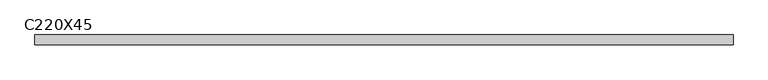
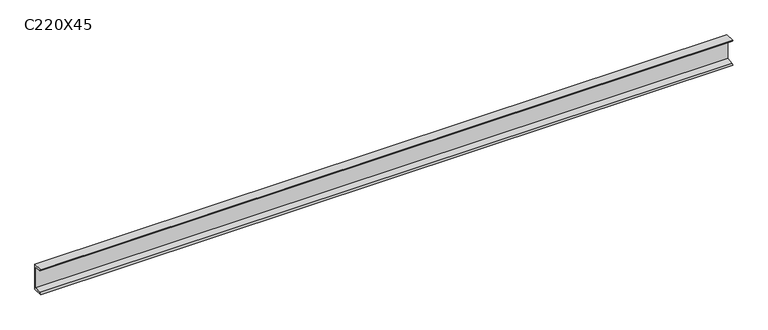
"""IFC4 building model written with IfcOpenShell, lengths in millimetres: beam geometry, C220X45."""

from ifc_helpers import new_model, si_unit, point, frame, frame_2d, origin, place, context, project, spatial, polyline, circle_curve, trimmed, segment, composite_curve, outline, extrude, source, transform, mapped, element, save


def c220x45_f1059868(model_context):
    return source(origin(), model_context, "Body", "SweptSolid", [
        extrude(outline(composite_curve([segment(polyline([(17.0, 110.0), (17.0, -110.0), (-64.0, -110.0)]), True, "CONTINUOUS"), segment(trimmed(circle_curve(frame_2d((-51.0, -110.0)), 13.0), [point((-64.0, -110.0))], [point((-51.0, -97.0))], False, "CARTESIAN"), True, "CONTINUOUS"), segment(polyline([(-51.0, -97.0), (4.0, -88.2888558), (4.0, 88.2888558), (-51.0, 97.0)]), True, "CONTINUOUS"), segment(trimmed(circle_curve(frame_2d((-51.0, 110.0)), 13.0), [point((-51.0, 97.0))], [point((-64.0, 110.0))], False, "CARTESIAN"), True, "CONTINUOUS"), segment(polyline([(-64.0, 110.0), (17.0, 110.0)]), True, "CONTINUOUS")], self_intersect=False)), frame((-2889.0, 0.0, 0.0), z_axis=(1.0, 0.0, 0.0), x_axis=(0.0, 1.0, 0.0)), (0.0, 0.0, 1.0), 5778.0),
    ])


if __name__ == "__main__":
    model = new_model("IFC4")
    model_context = context("Model", 3, world=origin())
    ifc_project = project(units=[si_unit("LENGTHUNIT", "METRE", prefix="MILLI")], contexts=[model_context])
    site = spatial("IfcSite", under=ifc_project)
    building = spatial("IfcBuilding", under=site)
    placement = place(None, origin())
    c220x45_shape = c220x45_f1059868(model_context)
    element("IfcBeam", 1, ObjectType="C220X45", at=placement, inside=building, context=model_context, shape_type="MappedRepresentation", body=[
        mapped(c220x45_shape, transform((0.0, 0.0, 0.0), x_axis=(1.0, 0.0, 0.0), y_axis=(0.0, 1.0, 0.0), z_axis=(0.0, 0.0, 1.0))),
    ])
    save(model, "model.ifc")
